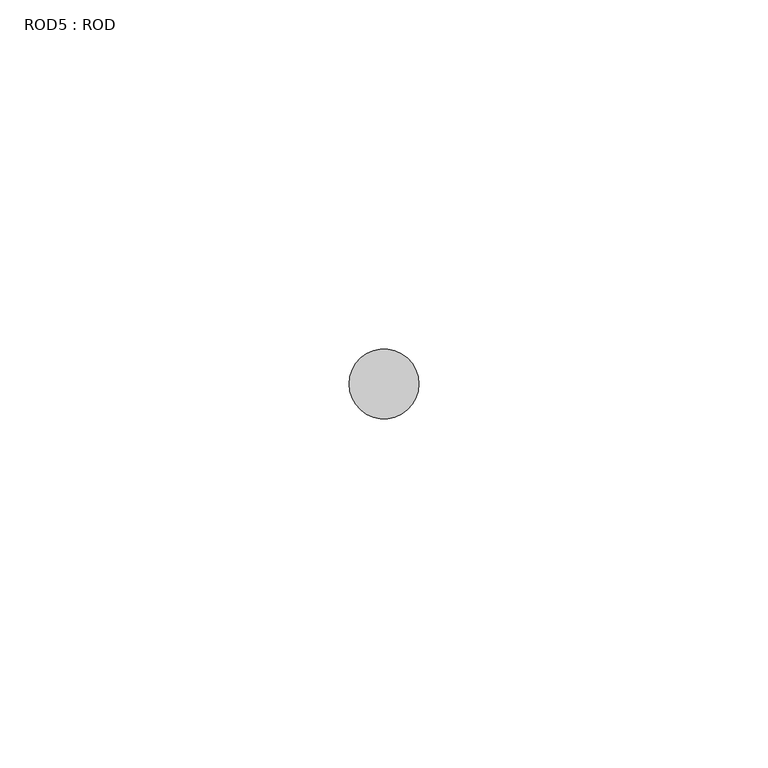
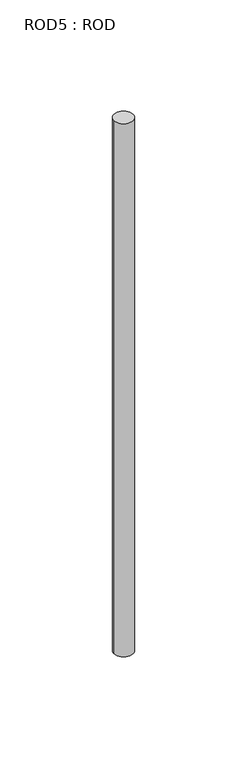
"""IFC4 building model written with IfcOpenShell, lengths in millimetres: proxy geometry, ROD5 : ROD."""

import ifcopenshell
import ifcopenshell.guid

model = None  # the IFC model being written
_history = None  # IfcOwnerHistory: only IFC2X3 demands one
_inside = {}  # id of a spatial element -> (the spatial element, [elements in it])
_under = {}  # id of a project, library or spatial element -> (it, [spatial elements below it])
_declared = {}  # id of a project -> (the project, [libraries it declares])
_typed = {}  # id of a type object -> (the type object, [elements of that type])
_made_of = {}  # id of a material, layer set ... -> (it, [elements and type objects made of it])


def new_model(schema):
    """Start an empty IFC model of exactly this schema.

    Asked for "IFC4X3", IfcOpenShell would pick the latest addendum, in which some entities
    have other attributes; the version numbers below select the first issue.
    IFC2X3 requires an IfcOwnerHistory on every rooted entity: one is made here for all.
    """
    global model, _history
    if schema == "IFC4X3":
        model = ifcopenshell.file(schema_version=(4, 3, 0, 0))
    else:
        model = ifcopenshell.file(schema=schema)
    _inside.clear()
    _under.clear()
    _declared.clear()
    _typed.clear()
    _made_of.clear()
    _history = None
    if model.schema == "IFC2X3":
        org = make("IfcOrganization", Name="unknown")
        user = make(
            "IfcPersonAndOrganization",
            ThePerson=make("IfcPerson", FamilyName="unknown"),
            TheOrganization=org,
        )
        app = make(
            "IfcApplication",
            ApplicationDeveloper=org,
            Version="unknown",
            ApplicationFullName="unknown",
            ApplicationIdentifier="unknown",
        )
        _history = make(
            "IfcOwnerHistory",
            OwningUser=user,
            OwningApplication=app,
            ChangeAction="ADDED",
            CreationDate=0,
        )
    return model


def make(cls, **values):
    """One entity of the class cls with the attributes given. An attribute that is None is left unset."""
    return model.create_entity(
        cls, **{name: value for name, value in values.items() if value is not None}
    )


def rooted(cls, **values):
    """An entity with a GlobalId (a new one), such as an element, a storey or a relation."""
    return make(cls, GlobalId=ifcopenshell.guid.new(), OwnerHistory=_history, **values)


def si_unit(unit_type, name, prefix=None):
    """IfcSIUnit, for example si_unit("LENGTHUNIT", "METRE", prefix="MILLI")."""
    return make("IfcSIUnit", UnitType=unit_type, Prefix=prefix, Name=name)


def assignment(units):
    """IfcUnitAssignment: the units of a project."""
    return None if units is None else make("IfcUnitAssignment", Units=units)


def point(xyz):
    """IfcCartesianPoint."""
    return None if xyz is None else make("IfcCartesianPoint", Coordinates=xyz)


def direction(xyz):
    """IfcDirection."""
    return None if xyz is None else make("IfcDirection", DirectionRatios=xyz)


def frame(location, z_axis=None, x_axis=None):
    """IfcAxis2Placement3D, a coordinate frame: its origin and axes. An axis left out is left unset."""
    return make(
        "IfcAxis2Placement3D",
        Location=point(location),
        Axis=direction(z_axis),
        RefDirection=direction(x_axis),
    )


def frame_2d(location, x_axis=None):
    """IfcAxis2Placement2D, a coordinate frame in the plane: its origin and x axis."""
    return make(
        "IfcAxis2Placement2D", Location=point(location), RefDirection=direction(x_axis)
    )


def origin():
    """The frame at (0, 0, 0) with its axes left unset."""
    return frame((0.0, 0.0, 0.0))


def place(relative_to, where):
    """IfcLocalPlacement: puts the frame where relative to a parent placement (None: the world)."""
    return make(
        "IfcLocalPlacement", PlacementRelTo=relative_to, RelativePlacement=where
    )


def context(
    kind, dimensions, precision=None, world=None, true_north=None, identifier=None
):
    """IfcGeometricRepresentationContext, for example the 3D "Model" context."""
    return make(
        "IfcGeometricRepresentationContext",
        ContextIdentifier=identifier,
        ContextType=kind,
        CoordinateSpaceDimension=dimensions,
        Precision=precision,
        WorldCoordinateSystem=world,
        TrueNorth=true_north,
    )


def project(units=None, contexts=None):
    """IfcProject with its units and contexts."""
    return rooted(
        "IfcProject",
        Name="project",
        RepresentationContexts=contexts,
        UnitsInContext=assignment(units),
    )


def spatial(cls, under=None, at=None, **own):
    """A site, building, storey or space (cls), placed at a placement, below another one or the project."""
    s = rooted(cls, ObjectPlacement=at, **own)
    if under is not None:
        _under.setdefault(under.id(), (under, []))[1].append(s)
    return s


def circle_curve(where, radius):
    """IfcCircle in the frame where."""
    return make("IfcCircle", Position=where, Radius=radius)


def trimmed(basis, trim1, trim2, sense, master):
    """IfcTrimmedCurve: the piece of a basis curve between two trims."""
    return make(
        "IfcTrimmedCurve",
        BasisCurve=basis,
        Trim1=trim1,
        Trim2=trim2,
        SenseAgreement=sense,
        MasterRepresentation=master,
    )


def segment(curve, same_sense, transition):
    """IfcCompositeCurveSegment."""
    return make(
        "IfcCompositeCurveSegment",
        Transition=transition,
        SameSense=same_sense,
        ParentCurve=curve,
    )


def composite_curve(segments, self_intersect=None):
    """IfcCompositeCurve: segments joined end to end."""
    return make("IfcCompositeCurve", Segments=segments, SelfIntersect=self_intersect)


def outline(outer, holes=None, kind="AREA"):
    """IfcArbitraryClosedProfileDef: a profile drawn as a closed curve; with holes, ...WithVoids."""
    if holes is None:
        return make("IfcArbitraryClosedProfileDef", ProfileType=kind, OuterCurve=outer)
    return make(
        "IfcArbitraryProfileDefWithVoids",
        ProfileType=kind,
        OuterCurve=outer,
        InnerCurves=holes,
    )


def extrude(swept, where, along, depth):
    """IfcExtrudedAreaSolid: the profile swept, set in the frame where, extruded along a direction by depth."""
    return make(
        "IfcExtrudedAreaSolid",
        SweptArea=swept,
        Position=where,
        ExtrudedDirection=direction(along),
        Depth=depth,
    )


def shape(context_of_items, identifier, shape_type, items):
    """IfcShapeRepresentation: the items that make up one representation, for example the "Body"."""
    return make(
        "IfcShapeRepresentation",
        ContextOfItems=context_of_items,
        RepresentationIdentifier=identifier,
        RepresentationType=shape_type,
        Items=items,
    )


def source(mapping_origin, context_of_items, identifier, shape_type, items):
    """IfcRepresentationMap: a shape defined once, which mapped items show again and again."""
    return make(
        "IfcRepresentationMap",
        MappingOrigin=mapping_origin,
        MappedRepresentation=shape(context_of_items, identifier, shape_type, items),
    )


def transform(
    local_origin,
    x_axis=None,
    y_axis=None,
    z_axis=None,
    scale=None,
    scale2=None,
    scale3=None,
    uniform=True,
):
    """IfcCartesianTransformationOperator3D, or its non-uniform kind. x_axis, y_axis, z_axis: its Axis1, 2, 3."""
    if uniform:
        return make(
            "IfcCartesianTransformationOperator3D",
            Axis1=direction(x_axis),
            Axis2=direction(y_axis),
            LocalOrigin=point(local_origin),
            Scale=scale,
            Axis3=direction(z_axis),
        )
    return make(
        "IfcCartesianTransformationOperator3DnonUniform",
        Axis1=direction(x_axis),
        Axis2=direction(y_axis),
        LocalOrigin=point(local_origin),
        Scale=scale,
        Axis3=direction(z_axis),
        Scale2=scale2,
        Scale3=scale3,
    )


def mapped(mapping_source, mapping_target):
    """IfcMappedItem: shows the shape of a source again, moved by a transform."""
    return make(
        "IfcMappedItem", MappingSource=mapping_source, MappingTarget=mapping_target
    )


def made_of(thing, what):
    """Note that an element or type object is made of a material, layer set ...; save() writes the relation."""
    if what is not None:
        _made_of.setdefault(what.id(), (what, []))[1].append(thing)
    return thing


def element(
    cls,
    number,
    at=None,
    inside=None,
    cuts=None,
    type_object=None,
    material=None,
    context=None,
    identifier="Body",
    shape_type=None,
    held_by="IfcProductDefinitionShape",
    body=None,
    shapes=None,
    **own,
):
    """One element of the class cls, such as IfcWall. Its Tag is "e" and its number.

    at: its placement. inside: the storey or other place that contains it. cuts: it is an
    opening in that element (IfcRelVoidsElement). A single representation is given by context,
    identifier, shape_type and body (its items); several are given by shapes. held_by: the class
    of the entity that holds the representations. save() writes the other relations.
    """
    e = rooted(cls, Tag="e%d" % number, ObjectPlacement=at, **own)
    if body is not None:
        shapes = [shape(context, identifier, shape_type, body)]
    if shapes is not None:
        e.Representation = make(held_by, Representations=shapes)
    if inside is not None:
        _inside.setdefault(inside.id(), (inside, []))[1].append(e)
    if cuts is not None:
        rooted(
            "IfcRelVoidsElement", RelatingBuildingElement=cuts, RelatedOpeningElement=e
        )
    if type_object is not None:
        _typed.setdefault(type_object.id(), (type_object, []))[1].append(e)
    return made_of(e, material)


def aggregate(whole, parts):
    """IfcRelAggregates: a whole, such as a stair, and the parts it consists of."""
    return rooted("IfcRelAggregates", RelatingObject=whole, RelatedObjects=parts)


def save(model, path):
    """Write the relations noted so far, then the file.

    IfcRelAggregates (storeys below a building ...), IfcRelContainedInSpatialStructure (elements
    in a storey), IfcRelDefinesByType, IfcRelAssociatesMaterial and IfcRelDeclares: one each for
    every whole, place, type object, material and project.
    """
    for whole, parts in _under.values():
        aggregate(whole, parts)
    for where, things in _inside.values():
        rooted(
            "IfcRelContainedInSpatialStructure",
            RelatedElements=things,
            RelatingStructure=where,
        )
    for kind, things in _typed.values():
        rooted("IfcRelDefinesByType", RelatedObjects=things, RelatingType=kind)
    for what, things in _made_of.values():
        rooted("IfcRelAssociatesMaterial", RelatedObjects=things, RelatingMaterial=what)
    for by, libraries in _declared.values():
        rooted("IfcRelDeclares", RelatingContext=by, RelatedDefinitions=libraries)
    model.write(path)


def rod5_rod_f2604946(model_context):
    return source(origin(), model_context, "Body", "SweptSolid", [
        extrude(outline(composite_curve([segment(trimmed(circle_curve(frame_2d((-3500.2326676, 833.3971576)), 5.0), [point((-3505.2326676, 833.3971576))], [point((-3495.2326676, 833.3971576))], False, "CARTESIAN"), True, "CONTINUOUS"), segment(trimmed(circle_curve(frame_2d((-3500.2326676, 833.3971576)), 5.0), [point((-3495.2326676, 833.3971576))], [point((-3505.2326676, 833.3971576))], False, "CARTESIAN"), True, "CONTINUOUS")], self_intersect=False)), frame((0.0, 0.0, -108.6608845), z_axis=(0.0, 0.0, 1.0), x_axis=(1.0, 0.0, 0.0)), (0.0, 0.0, 1.0), 298.9028972),
    ])


if __name__ == "__main__":
    model = new_model("IFC4")
    model_context = context("Model", 3, world=origin())
    ifc_project = project(units=[si_unit("LENGTHUNIT", "METRE", prefix="MILLI")], contexts=[model_context])
    site = spatial("IfcSite", under=ifc_project)
    building = spatial("IfcBuilding", under=site)
    placement = place(None, origin())
    rod5_rod_shape = rod5_rod_f2604946(model_context)
    element("IfcBuildingElementProxy", 1, Name="ROD5 : ROD", ObjectType="ROD5 : ROD", at=placement, inside=building, context=model_context, shape_type="MappedRepresentation", body=[
        mapped(rod5_rod_shape, transform((0.0, 0.0, 0.0), x_axis=(1.0, 0.0, 0.0), y_axis=(0.0, 1.0, 0.0), z_axis=(0.0, 0.0, 1.0))),
    ])
    save(model, "model.ifc")
